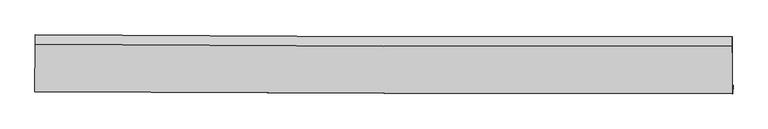
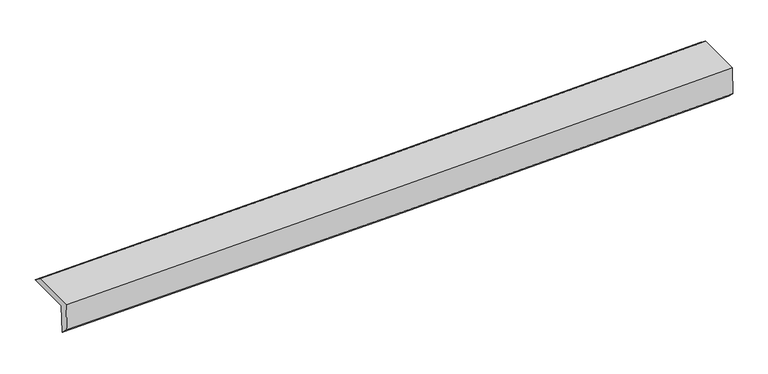
"""IFC4 building model written with IfcOpenShell, lengths in millimetres: proxy geometry."""

from ifc_helpers import new_model, si_unit, frame, origin, place, context, project, spatial, source, transform, mapped, element, save
from ifc_brep_helpers import plane_surface, spline_curve, spline_surface, advanced_brep


def generic_models_0586656c(model_context):
    return source(origin(), model_context, "Body", "AdvancedBrep", [
        advanced_brep(
        [(-4777.4383828, -1789.0109171, 1508.1003606), (-4787.8224519, -1788.4783856, 1914.5306958), (4765.39116, -1821.438017, 2193.66463), (4776.1583454, -1821.990196, 1772.2392011), (-4780.8324839, -1911.4368091, 1622.8543483), (4772.7642443, -1944.416088, 1886.9931888), (-4790.7025019, -1910.9306399, 2009.1648273), (4762.51111, -1943.8902712, 2288.2987615), (-4788.2414036, -1263.5661069, 2008.3794878), (4765.0102252, -1286.5258178, 2287.5012908), (-4785.3377787, -1134.9127442, 1913.7378335), (4767.91385, -1157.8724552, 2192.8596365)],
        [
            (0, 1),
            (1, 2, spline_curve(3, [(-4787.8224519, -1788.4783856, 1914.5306958), (-3194.582371641, -1799.641400305, 1959.41502137), (-1601.359945581, -1807.969488829, 2005.133516613), (1583.044547581, -1818.948901809, 2098.180259524), (3174.226658269, -1821.607356781, 2145.506409196), (4765.39116, -1821.438017, 2193.66463)], [4, 2, 4], [0.0, 15.687940077279412, 31.356136836746707])),
            (2, 3),
            (3, 0, spline_curve(3, [(4776.1583454, -1821.990196, 1772.2392011), (3185.057576149, -1822.162804167, 1721.586514585), (1593.875464938, -1819.504349195, 1674.260365436), (-1590.656572446, -1808.518395325, 1586.205696149), (-3184.00670416, -1800.183757685, 1545.485565815), (-4777.4383828, -1789.0109171, 1508.1003606)], [4, 2, 4], [0.0, 15.668196759467294, 31.356136836746707])),
            (4, 0),
            (3, 5),
            (5, 4, spline_curve(3, [(4772.7642443, -1944.416088, 1886.9931888), (3181.663474977, -1944.588696103, 1836.340502502), (1590.481363849, -1941.930241123, 1789.014352806), (-1594.050673556, -1930.944287197, 1700.959684179), (-3187.400805311, -1922.609649673, 1660.239553597), (-4780.8324839, -1911.4368091, 1622.8543483)], [4, 2, 4], [0.0, 15.668190876546388, 31.356125063491895])),
            (6, 4),
            (5, 7),
            (7, 6, spline_curve(3, [(4762.51111, -1943.8902712, 2288.2987615), (3171.346608269, -1944.059610981, 2240.140540696), (1580.164497581, -1941.401156009, 2192.814391024), (-1604.239995581, -1930.421743029, 2099.767648113), (-3197.462421641, -1922.093654605, 2054.04915287), (-4790.7025019, -1910.9306399, 2009.1648273)], [4, 2, 4], [0.0, 15.668196759467307, 31.35613683674673])),
            (8, 6),
            (7, 9),
            (9, 8, spline_curve(3, [(4765.0102252, -1286.5258178, 2287.5012908), (3173.826718922, -1291.694068306, 2239.349134513), (1582.631935899, -1292.368919976, 2192.02702866), (-1601.785245287, -1284.727014517, 2098.984334026), (-3195.00767151, -1276.398925785, 2053.26583888), (-4788.2414036, -1263.5661069, 2008.3794878)], [4, 2, 4], [0.0, 15.668248121089682, 31.356239624711684])),
            (10, 8),
            (9, 11),
            (11, 10, spline_curve(3, [(4767.91385, -1157.8724552, 2192.8596365), (3176.730343629, -1163.040705892, 2144.707479703), (1585.535560941, -1163.71555716, 2097.385373899), (-1598.88162053, -1156.073651932, 2004.342680188), (-3192.104046942, -1147.745563065, 1958.62418471), (-4785.3377787, -1134.9127442, 1913.7378335)], [4, 2, 4], [0.0, 15.668281935968782, 31.35630729707963])),
            (1, 10),
            (11, 2),
        ],
        [
            spline_surface(3, 3, [[(-4777.4383828, -1789.0109171, 1508.1003606), (-3184.006704407, -1800.183757477, 1545.485565692), (-1590.656572555, -1808.518395416, 1586.205696338), (1593.875465047, -1819.504349104, 1674.260365247), (3185.057575943, -1822.162804135, 1721.586514773), (4776.1583454, -1821.990196, 1772.2392011)], [(-4780.899739169, -1788.8334066, 1643.577138983), (-3187.531926896, -1800.002971699, 1683.462050898), (-1594.224363522, -1808.335426577, 1725.848303069), (1590.265159174, -1819.319199951, 1815.566996684), (3181.44727007, -1821.977654982, 1862.893146211), (4772.569283595, -1821.806136318, 1912.714344059)], [(-4784.361095531, -1788.6558961, 1779.053917417), (-3191.057149378, -1799.822185919, 1821.438536154), (-1597.792154474, -1808.152457785, 1865.490909824), (1586.654853315, -1819.134050846, 1956.873628145), (3177.836964211, -1821.792505877, 2004.199777672), (4768.980221805, -1821.622076682, 2053.189487041)], [(-4787.8224519, -1788.4783856, 1914.5306958), (-3194.582371866, -1799.641400141, 1959.41502136), (-1601.359945441, -1807.969488945, 2005.133516555), (1583.044547442, -1818.948901693, 2098.180259582), (3174.226658338, -1821.607356724, 2145.506409109), (4765.39116, -1821.438017, 2193.66463)]], [4, 4], [4, 2, 4], [0.0, 1.383066261430994], [0.0, 15.687940077279412, 31.356136836746707]),
            spline_surface(3, 3, [[(-4780.8324839, -1911.4368091, 1622.8543483), (-3187.400805507, -1922.609649477, 1660.239553392), (-1594.050673655, -1930.944287316, 1700.959684038), (1590.481363947, -1941.930241004, 1789.014352947), (3181.663474843, -1944.588696135, 1836.340502473), (4772.7642443, -1944.416088, 1886.9931888)], [(-4779.70111686, -1870.628178458, 1584.603019066), (-3186.269438467, -1881.801018835, 1621.988224158), (-1592.919306615, -1890.135656674, 1662.708354804), (1591.612730987, -1901.121610362, 1750.763023713), (3182.794841883, -1903.780065493, 1798.089173239), (4773.89561134, -1903.607457358, 1848.741859566)], [(-4778.56974984, -1829.819547742, 1546.351689834), (-3185.138071447, -1840.992388119, 1583.736894926), (-1591.787939595, -1849.327026058, 1624.457025572), (1592.744098007, -1860.312979746, 1712.511694481), (3183.926208903, -1862.971434777, 1759.837844007), (4775.02697836, -1862.798826642, 1810.490530334)], [(-4777.4383828, -1789.0109171, 1508.1003606), (-3184.006704407, -1800.183757477, 1545.485565692), (-1590.656572555, -1808.518395416, 1586.205696338), (1593.875465047, -1819.504349104, 1674.260365247), (3185.057575943, -1822.162804135, 1721.586514773), (4776.1583454, -1821.990196, 1772.2392011)]], [4, 4], [4, 2, 4], [0.0, 0.5506349686798517], [0.0, 15.687934186945506, 31.356125063491895]),
            spline_surface(3, 3, [[(-4790.7025019, -1910.9306399, 2009.1648273), (-3197.462421866, -1922.093654441, 2054.04915286), (-1604.239995441, -1930.421743145, 2099.767648055), (1580.164497442, -1941.401155893, 2192.814391082), (3171.346608338, -1944.059610924, 2240.140540609), (4762.51111, -1943.8902712, 2288.2987615)], [(-4787.412495911, -1911.099362951, 1880.394667656), (-3194.108549758, -1922.26565277, 1922.779286393), (-1600.843554854, -1930.595924536, 1966.831660063), (1583.603452935, -1941.577517597, 2058.214378385), (3174.785563831, -1944.235972628, 2105.540527911), (4765.928821425, -1944.065543434, 2154.530237281)], [(-4784.122489889, -1911.268086049, 1751.624507944), (-3190.754677616, -1922.437651147, 1791.509419858), (-1597.447114242, -1930.770105925, 1833.89567203), (1587.042408454, -1941.7538793, 1923.614365644), (3178.22451935, -1944.412334431, 1970.940515171), (4769.346532875, -1944.240815766, 2020.761713019)], [(-4780.8324839, -1911.4368091, 1622.8543483), (-3187.400805507, -1922.609649477, 1660.239553392), (-1594.050673655, -1930.944287316, 1700.959684038), (1590.481363947, -1941.930241004, 1789.014352947), (3181.663474843, -1944.588696135, 1836.340502473), (4772.7642443, -1944.416088, 1886.9931888)]], [4, 4], [4, 2, 4], [0.0, 1.317034636518718], [0.0, 15.687940077279425, 31.35613683674673]),
            spline_surface(3, 3, [[(-4788.2414036, -1263.5661069, 2008.3794878), (-3195.007671693, -1276.398925695, 2053.265839055), (-1601.785245269, -1284.7270144, 2098.98433425), (1582.63193588, -1292.368920093, 2192.027028437), (3173.826719082, -1291.694068308, 2239.349134254), (4765.0102252, -1286.5258178, 2287.5012908)], [(-4789.061769693, -1479.35428458, 2008.641267629), (-3195.825921744, -1491.630501956, 2053.526943652), (-1602.603495319, -1499.958590661, 2099.245438847), (1581.809456408, -1508.712998706, 2192.289482647), (3173.000015511, -1509.149249185, 2239.61293638), (4764.17718681, -1505.647302272, 2287.767114374)], [(-4789.882135807, -1695.14246222, 2008.903047471), (-3196.644171816, -1706.862078179, 2053.788048263), (-1603.421745391, -1715.190166884, 2099.506543458), (1580.986976914, -1725.05707728, 2192.551936872), (3172.173311909, -1726.604430047, 2239.876738483), (4763.34414839, -1724.768786728, 2288.032937926)], [(-4790.7025019, -1910.9306399, 2009.1648273), (-3197.462421866, -1922.093654441, 2054.04915286), (-1604.239995441, -1930.421743145, 2099.767648055), (1580.164497442, -1941.401155893, 2192.814391082), (3171.346608338, -1944.059610924, 2240.140540609), (4762.51111, -1943.8902712, 2288.2987615)]], [4, 4], [4, 2, 4], [0.0, 2.1239059624660026], [0.0, 15.687991503622001, 31.356239624711684]),
            spline_surface(3, 3, [[(-4785.3377787, -1134.9127442, 1913.7378335), (-3192.104046793, -1147.745562995, 1958.624184755), (-1598.881620369, -1156.0736517, 2004.34267995), (1585.53556078, -1163.715557393, 2097.385374137), (3176.730343882, -1163.040705708, 2144.707479954), (4767.91385, -1157.8724552, 2192.8596365)], [(-4786.305653651, -1177.797198422, 1945.285051585), (-3193.071921744, -1190.630017217, 1990.171402839), (-1599.84949532, -1198.958105922, 2035.889898035), (1584.567685829, -1206.600011615, 2128.932592221), (3175.762468931, -1205.92515993, 2176.254698039), (4766.945975049, -1200.756909422, 2224.406854585)], [(-4787.273528649, -1220.681652678, 1976.832269715), (-3194.039796742, -1233.514471473, 2021.71862097), (-1600.817370318, -1241.842560178, 2067.437116165), (1583.599810831, -1249.484465871, 2160.479810352), (3174.794594033, -1248.809614086, 2207.80191617), (4765.978100151, -1243.641363578, 2255.954072715)], [(-4788.2414036, -1263.5661069, 2008.3794878), (-3195.007671693, -1276.398925695, 2053.265839055), (-1601.785245269, -1284.7270144, 2098.98433425), (1582.63193588, -1292.368920093, 2192.027028437), (3173.826719082, -1291.694068308, 2239.349134254), (4765.0102252, -1286.5258178, 2287.5012908)]], [4, 4], [4, 2, 4], [0.0, 0.5240843827924795], [0.0, 15.68802536111085, 31.35630729707963]),
            spline_surface(3, 3, [[(-4787.8224519, -1788.4783856, 1914.5306958), (-3194.582371866, -1799.641400141, 1959.41502136), (-1601.359945441, -1807.969488945, 2005.133516555), (1583.044547442, -1818.948901693, 2098.180259582), (3174.226658338, -1821.607356724, 2145.506409109), (4765.39116, -1821.438017, 2193.66463)], [(-4786.994227516, -1570.623171789, 1914.266408381), (-3193.756263524, -1582.342787748, 1959.151409172), (-1600.5338371, -1590.670876553, 2004.869904367), (1583.874885206, -1600.537786949, 2097.915297781), (3175.061220201, -1602.085139716, 2145.240099393), (4766.232056681, -1600.249496397, 2193.396298835)], [(-4786.166003084, -1352.767958011, 1914.002120919), (-3192.930155135, -1365.044175388, 1958.887796942), (-1599.70772871, -1373.372264092, 2004.606292137), (1584.705223016, -1382.126672137, 2097.650335938), (3175.895782019, -1382.562922717, 2144.973789671), (4767.072953319, -1379.060975803, 2193.127967665)], [(-4785.3377787, -1134.9127442, 1913.7378335), (-3192.104046793, -1147.745562995, 1958.624184755), (-1598.881620369, -1156.0736517, 2004.34267995), (1585.53556078, -1163.715557393, 2097.385374137), (3176.730343882, -1163.040705708, 2144.707479954), (4767.91385, -1157.8724552, 2192.8596365)]], [4, 4], [4, 2, 4], [0.0, 2.144250968269948], [0.0, 15.687991503621998, 31.356239624711677]),
            plane_surface(frame((4768.2914891, -1662.6888075, 2103.5927848), z_axis=(0.9996665444157904, -0.0037694611184728947, 0.025545863435575262), x_axis=(-0.003801689090801773, -0.9999920377138198, 0.0012131236620146902))),
            plane_surface(frame((-4785.0625005, -1633.0559338, 1829.4612589), z_axis=(-0.9996665444157898, 0.00376946111861523, -0.025545863435574724), x_axis=(0.025541087209623288, -0.0013098365694942393, -0.9996729151038912))),
        ],
        [
            (0, [[1, 2, 3, 4]]),
            (1, [[5, -4, 6, 7]]),
            (2, [[8, -7, 9, 10]]),
            (3, [[11, -10, 12, 13]]),
            (4, [[14, -13, 15, 16]]),
            (5, [[17, -16, 18, -2]]),
            (6, [[-12, -9, -6, -3, -18, -15]]),
            (7, [[-1, -5, -8, -11, -14, -17]]),
        ],
    ),
    ])


if __name__ == "__main__":
    model = new_model("IFC4")
    model_context = context("Model", 3, world=origin())
    ifc_project = project(units=[si_unit("LENGTHUNIT", "METRE", prefix="MILLI")], contexts=[model_context])
    site = spatial("IfcSite", under=ifc_project)
    building = spatial("IfcBuilding", under=site)
    placement = place(None, origin())
    generic_models_shape = generic_models_0586656c(model_context)
    element("IfcBuildingElementProxy", 1, Name="Generic Models", at=placement, inside=building, context=model_context, shape_type="MappedRepresentation", body=[
        mapped(generic_models_shape, transform((0.0, 0.0, 0.0), x_axis=(1.0, 0.0, 0.0), y_axis=(0.0, 1.0, 0.0), z_axis=(0.0, 0.0, 1.0))),
    ])
    save(model, "model.ifc")
